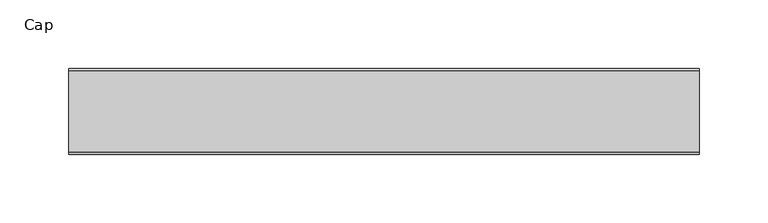
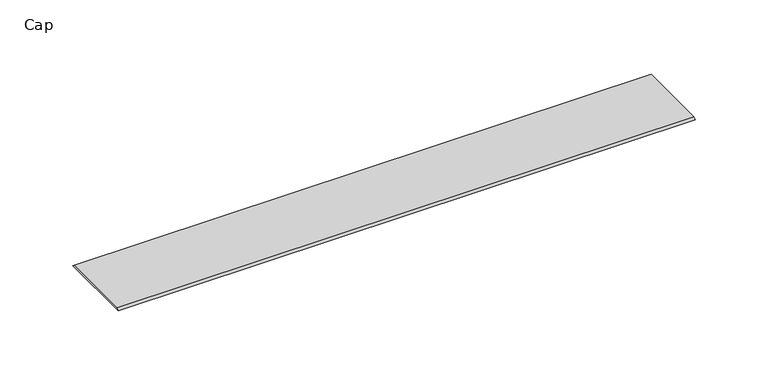
"""IFC4 building model written with IfcOpenShell, lengths in millimetres: furniture geometry, Cap."""

from ifc_helpers import new_model, si_unit, frame, origin, place, context, project, spatial, polyline, outline, extrude, source, transform, mapped, element, save


def cap_75af4a1f(model_context):
    return source(origin(), model_context, "Body", "SweptSolid", [
        extrude(outline(polyline([(-15.5565637, 0.0), (-13.9690637, 1.5875), (44.9726737, 1.5875), (46.5601737, 0.0), (-15.5565637, 0.0)])), frame((-198.6228469, 0.0, 0.0), z_axis=(1.0, 0.0, 0.0), x_axis=(0.0, 1.0, 0.0)), (0.0, 0.0, 1.0), 457.2),
    ])


if __name__ == "__main__":
    model = new_model("IFC4")
    model_context = context("Model", 3, world=origin())
    ifc_project = project(units=[si_unit("LENGTHUNIT", "METRE", prefix="MILLI")], contexts=[model_context])
    site = spatial("IfcSite", under=ifc_project)
    building = spatial("IfcBuilding", under=site)
    placement = place(None, origin())
    cap_shape = cap_75af4a1f(model_context)
    element("IfcFurniture", 1, ObjectType="Cap", at=placement, inside=building, context=model_context, shape_type="MappedRepresentation", body=[
        mapped(cap_shape, transform((0.0, 0.0, 0.0), x_axis=(1.0, 0.0, 0.0), y_axis=(0.0, 1.0, 0.0), z_axis=(0.0, 0.0, 1.0))),
    ])
    save(model, "model.ifc")
